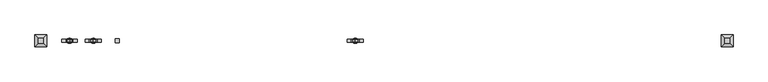
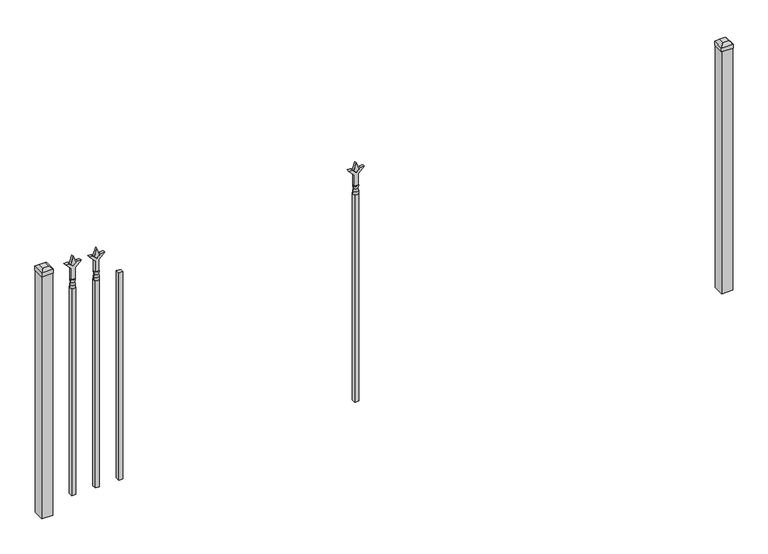
"""IFC4 building model written with IfcOpenShell, lengths in millimetres: railing geometry."""

from ifc_helpers import new_model, si_unit, frame, origin, origin_with_axes, place, context, project, spatial, polyline, circle_curve, outline, extrude, faceted_brep, source, transform, mapped, element, save
from ifc_brep_helpers import plane_surface, cylinder_surface, revolved_surface, advanced_brep


def railing_e18110bd(model_context):
    return source(origin(), model_context, "Body", "SolidModel", [
        extrude(outline(polyline([(-79292.5347536, -625.7320174), (-79273.4847536, -625.7320174), (-79273.4847536, -644.7820174), (-79292.5347536, -644.7820174), (-79292.5347536, -625.7320174)])), frame((0.0, 0.0, 50.8), z_axis=(0.0, 0.0, 1.0), x_axis=(1.0, 0.0, 0.0)), (0.0, 0.0, 1.0), 1016.0),
        extrude(outline(polyline([(1183.48125, -79380.3764203), (1219.2, -79392.2826703), (1183.48125, -79404.1889203), (1171.575, -79392.2826703), (1183.48125, -79380.3764203)])), frame((0.0, -640.0195174, 0.0), z_axis=(0.0, 1.0, 0.0), x_axis=(0.0, 0.0, 1.0)), (0.0, 0.0, 1.0), 9.525),
        extrude(outline(polyline([(1108.075, -79383.5514203), (1162.3457378, -79383.5514203), (1189.5355122, -79356.3616458), (1189.5355122, -79374.3221581), (1171.575, -79392.2826703), (1189.5355122, -79410.2431825), (1189.5355122, -79428.2036948), (1162.3457378, -79401.0139203), (1108.075, -79401.0139203), (1108.075, -79383.5514203)])), frame((0.0, -641.6070174, 0.0), z_axis=(0.0, 1.0, 0.0), x_axis=(0.0, 0.0, 1.0)), (0.0, 0.0, 1.0), 12.7),
        advanced_brep(
        [(-79380.3764203, -635.2570174, 1079.5), (-79404.1889203, -635.2570174, 1079.5), (-79404.1889203, -635.2570174, 1066.8), (-79380.3764203, -635.2570174, 1066.8), (-79382.5817522, -635.2570174, 1092.0070585), (-79401.9835884, -635.2570174, 1092.0070585), (-79380.3764203, -635.2570174, 1108.075), (-79404.1889203, -635.2570174, 1108.075), (-79392.2826703, -635.2570174, 1108.075), (-79392.2826703, -635.2570174, 1066.8)],
        [
            (0, 1, circle_curve(frame((-79392.2826703, -635.2570174, 1079.5), z_axis=(0.0, 0.0, -1.0), x_axis=(-1.0, 0.0, 0.0)), 11.90625)),
            (1, 2),
            (2, 3, circle_curve(frame((-79392.2826703, -635.2570174, 1066.8), z_axis=(0.0, 0.0, 1.0), x_axis=(-1.0, 0.0, 0.0)), 11.90625)),
            (3, 0),
            (1, 0, circle_curve(frame((-79392.2826703, -635.2570174, 1079.5), z_axis=(0.0, 0.0, -1.0), x_axis=(-1.0, 0.0, 0.0)), 11.90625)),
            (3, 2, circle_curve(frame((-79392.2826703, -635.2570174, 1066.8), z_axis=(0.0, 0.0, 1.0), x_axis=(-1.0, 0.0, 0.0)), 11.90625)),
            (4, 5, circle_curve(frame((-79392.2826703, -635.2570174, 1092.0070585), z_axis=(0.0, 0.0, -1.0), x_axis=(-1.0, 0.0, 0.0)), 9.7009181)),
            (5, 1),
            (0, 4),
            (5, 4, circle_curve(frame((-79392.2826703, -635.2570174, 1092.0070585), z_axis=(0.0, 0.0, -1.0), x_axis=(-1.0, 0.0, 0.0)), 9.7009181)),
            (6, 7, circle_curve(frame((-79392.2826703, -635.2570174, 1108.075), z_axis=(0.0, 0.0, -1.0), x_axis=(-1.0, 0.0, 0.0)), 11.90625)),
            (7, 5),
            (4, 6),
            (7, 6, circle_curve(frame((-79392.2826703, -635.2570174, 1108.075), z_axis=(0.0, 0.0, -1.0), x_axis=(-1.0, 0.0, 0.0)), 11.90625)),
            (8, 7),
            (6, 8),
            (2, 9),
            (9, 3),
        ],
        [
            cylinder_surface(frame((-79392.2826703, -635.2570174, 1066.8), z_axis=(0.0, 0.0, 1.0), x_axis=(-1.0, 0.0, 0.0)), 11.90625),
            revolved_surface(polyline([(-79404.1889203, -635.2570174, 1079.5), (-79401.9835884, -635.2570174, 1092.0070585)]), (-79392.2826703, -635.2570174, 1066.8), (0.0, 0.0, 1.0)),
            revolved_surface(polyline([(-79401.9835884, -635.2570174, 1092.0070585), (-79404.1889203, -635.2570174, 1108.075)]), (-79392.2826703, -635.2570174, 1066.8), (0.0, 0.0, 1.0)),
            plane_surface(frame((-79392.2826703, -635.2570174, 1108.075), z_axis=(0.0, 0.0, 1.0), x_axis=(-1.0, 0.0, 0.0))),
            plane_surface(frame((-79392.2826703, -635.2570174, 1066.8), z_axis=(0.0, 0.0, -1.0), x_axis=(-1.0, 0.0, 0.0))),
        ],
        [
            (0, [[1, 2, 3, 4]]),
            (0, [[5, -4, 6, -2]]),
            (1, [[7, 8, -1, 9]]),
            (1, [[10, -9, -5, -8]]),
            (2, [[11, 12, -7, 13]]),
            (2, [[14, -13, -10, -12]]),
            (3, [[15, -11, 16]]),
            (3, [[-16, -14, -15]]),
            (4, [[-3, 17, 18]]),
            (4, [[-6, -18, -17]]),
        ],
    ),
        extrude(outline(polyline([(-79401.8076703, -625.7320174), (-79382.7576703, -625.7320174), (-79382.7576703, -644.7820174), (-79401.8076703, -644.7820174), (-79401.8076703, -625.7320174)])), frame((0.0, 0.0, 50.8), z_axis=(0.0, 0.0, 1.0), x_axis=(1.0, 0.0, 0.0)), (0.0, 0.0, 1.0), 1016.0),
        extrude(outline(polyline([(1183.48125, -78178.374337), (1219.2, -78190.280587), (1183.48125, -78202.186837), (1171.575, -78190.280587), (1183.48125, -78178.374337)])), frame((0.0, -640.0195174, 0.0), z_axis=(0.0, 1.0, 0.0), x_axis=(0.0, 0.0, 1.0)), (0.0, 0.0, 1.0), 9.525),
        extrude(outline(polyline([(1108.075, -78181.549337), (1162.3457378, -78181.549337), (1189.5355122, -78154.3595625), (1189.5355122, -78172.3200747), (1171.575, -78190.280587), (1189.5355122, -78208.2410992), (1189.5355122, -78226.2016114), (1162.3457378, -78199.011837), (1108.075, -78199.011837), (1108.075, -78181.549337)])), frame((0.0, -641.6070174, 0.0), z_axis=(0.0, 1.0, 0.0), x_axis=(0.0, 0.0, 1.0)), (0.0, 0.0, 1.0), 12.7),
        advanced_brep(
        [(-78178.374337, -635.2570174, 1079.5), (-78202.186837, -635.2570174, 1079.5), (-78202.186837, -635.2570174, 1066.8), (-78178.374337, -635.2570174, 1066.8), (-78180.5796688, -635.2570174, 1092.0070585), (-78199.9815051, -635.2570174, 1092.0070585), (-78178.374337, -635.2570174, 1108.075), (-78202.186837, -635.2570174, 1108.075), (-78190.280587, -635.2570174, 1108.075), (-78190.280587, -635.2570174, 1066.8)],
        [
            (0, 1, circle_curve(frame((-78190.280587, -635.2570174, 1079.5), z_axis=(0.0, 0.0, -1.0), x_axis=(-1.0, 0.0, 0.0)), 11.90625)),
            (1, 2),
            (2, 3, circle_curve(frame((-78190.280587, -635.2570174, 1066.8), z_axis=(0.0, 0.0, 1.0), x_axis=(-1.0, 0.0, 0.0)), 11.90625)),
            (3, 0),
            (1, 0, circle_curve(frame((-78190.280587, -635.2570174, 1079.5), z_axis=(0.0, 0.0, -1.0), x_axis=(-1.0, 0.0, 0.0)), 11.90625)),
            (3, 2, circle_curve(frame((-78190.280587, -635.2570174, 1066.8), z_axis=(0.0, 0.0, 1.0), x_axis=(-1.0, 0.0, 0.0)), 11.90625)),
            (4, 5, circle_curve(frame((-78190.280587, -635.2570174, 1092.0070585), z_axis=(0.0, 0.0, -1.0), x_axis=(-1.0, 0.0, 0.0)), 9.7009181)),
            (5, 1),
            (0, 4),
            (5, 4, circle_curve(frame((-78190.280587, -635.2570174, 1092.0070585), z_axis=(0.0, 0.0, -1.0), x_axis=(-1.0, 0.0, 0.0)), 9.7009181)),
            (6, 7, circle_curve(frame((-78190.280587, -635.2570174, 1108.075), z_axis=(0.0, 0.0, -1.0), x_axis=(-1.0, 0.0, 0.0)), 11.90625)),
            (7, 5),
            (4, 6),
            (7, 6, circle_curve(frame((-78190.280587, -635.2570174, 1108.075), z_axis=(0.0, 0.0, -1.0), x_axis=(-1.0, 0.0, 0.0)), 11.90625)),
            (8, 7),
            (6, 8),
            (2, 9),
            (9, 3),
        ],
        [
            cylinder_surface(frame((-78190.280587, -635.2570174, 1066.8), z_axis=(0.0, 0.0, 1.0), x_axis=(-1.0, 0.0, 0.0)), 11.90625),
            revolved_surface(polyline([(-78202.186837, -635.2570174, 1079.5), (-78199.9815051, -635.2570174, 1092.0070585)]), (-78190.280587, -635.2570174, 1066.8), (0.0, 0.0, 1.0)),
            revolved_surface(polyline([(-78199.9815051, -635.2570174, 1092.0070585), (-78202.186837, -635.2570174, 1108.075)]), (-78190.280587, -635.2570174, 1066.8), (0.0, 0.0, 1.0)),
            plane_surface(frame((-78190.280587, -635.2570174, 1108.075), z_axis=(0.0, 0.0, 1.0), x_axis=(-1.0, 0.0, 0.0))),
            plane_surface(frame((-78190.280587, -635.2570174, 1066.8), z_axis=(0.0, 0.0, -1.0), x_axis=(-1.0, 0.0, 0.0))),
        ],
        [
            (0, [[1, 2, 3, 4]]),
            (0, [[5, -4, 6, -2]]),
            (1, [[7, 8, -1, 9]]),
            (1, [[10, -9, -5, -8]]),
            (2, [[11, 12, -7, 13]]),
            (2, [[14, -13, -10, -12]]),
            (3, [[15, -11, 16]]),
            (3, [[-16, -14, -15]]),
            (4, [[-3, 17, 18]]),
            (4, [[-6, -18, -17]]),
        ],
    ),
        extrude(outline(polyline([(-78199.805587, -625.7320174), (-78180.755587, -625.7320174), (-78180.755587, -644.7820174), (-78199.805587, -644.7820174), (-78199.805587, -625.7320174)])), frame((0.0, 0.0, 50.8), z_axis=(0.0, 0.0, 1.0), x_axis=(1.0, 0.0, 0.0)), (0.0, 0.0, 1.0), 1016.0),
        extrude(outline(polyline([(1183.48125, -79489.649337), (1219.2, -79501.555587), (1183.48125, -79513.461837), (1171.575, -79501.555587), (1183.48125, -79489.649337)])), frame((0.0, -640.0195174, 0.0), z_axis=(0.0, 1.0, 0.0), x_axis=(0.0, 0.0, 1.0)), (0.0, 0.0, 1.0), 9.525),
        extrude(outline(polyline([(1108.075, -79492.824337), (1162.3457378, -79492.824337), (1189.5355122, -79465.6345625), (1189.5355122, -79483.5950747), (1171.575, -79501.555587), (1189.5355122, -79519.5160992), (1189.5355122, -79537.4766114), (1162.3457378, -79510.286837), (1108.075, -79510.286837), (1108.075, -79492.824337)])), frame((0.0, -641.6070174, 0.0), z_axis=(0.0, 1.0, 0.0), x_axis=(0.0, 0.0, 1.0)), (0.0, 0.0, 1.0), 12.7),
        advanced_brep(
        [(-79489.649337, -635.2570174, 1079.5), (-79513.461837, -635.2570174, 1079.5), (-79513.461837, -635.2570174, 1066.8), (-79489.649337, -635.2570174, 1066.8), (-79491.8546688, -635.2570174, 1092.0070585), (-79511.2565051, -635.2570174, 1092.0070585), (-79489.649337, -635.2570174, 1108.075), (-79513.461837, -635.2570174, 1108.075), (-79501.555587, -635.2570174, 1108.075), (-79501.555587, -635.2570174, 1066.8)],
        [
            (0, 1, circle_curve(frame((-79501.555587, -635.2570174, 1079.5), z_axis=(0.0, 0.0, -1.0), x_axis=(-1.0, 0.0, 0.0)), 11.90625)),
            (1, 2),
            (2, 3, circle_curve(frame((-79501.555587, -635.2570174, 1066.8), z_axis=(0.0, 0.0, 1.0), x_axis=(-1.0, 0.0, 0.0)), 11.90625)),
            (3, 0),
            (1, 0, circle_curve(frame((-79501.555587, -635.2570174, 1079.5), z_axis=(0.0, 0.0, -1.0), x_axis=(-1.0, 0.0, 0.0)), 11.90625)),
            (3, 2, circle_curve(frame((-79501.555587, -635.2570174, 1066.8), z_axis=(0.0, 0.0, 1.0), x_axis=(-1.0, 0.0, 0.0)), 11.90625)),
            (4, 5, circle_curve(frame((-79501.555587, -635.2570174, 1092.0070585), z_axis=(0.0, 0.0, -1.0), x_axis=(-1.0, 0.0, 0.0)), 9.7009181)),
            (5, 1),
            (0, 4),
            (5, 4, circle_curve(frame((-79501.555587, -635.2570174, 1092.0070585), z_axis=(0.0, 0.0, -1.0), x_axis=(-1.0, 0.0, 0.0)), 9.7009181)),
            (6, 7, circle_curve(frame((-79501.555587, -635.2570174, 1108.075), z_axis=(0.0, 0.0, -1.0), x_axis=(-1.0, 0.0, 0.0)), 11.90625)),
            (7, 5),
            (4, 6),
            (7, 6, circle_curve(frame((-79501.555587, -635.2570174, 1108.075), z_axis=(0.0, 0.0, -1.0), x_axis=(-1.0, 0.0, 0.0)), 11.90625)),
            (8, 7),
            (6, 8),
            (2, 9),
            (9, 3),
        ],
        [
            cylinder_surface(frame((-79501.555587, -635.2570174, 1066.8), z_axis=(0.0, 0.0, 1.0), x_axis=(-1.0, 0.0, 0.0)), 11.90625),
            revolved_surface(polyline([(-79513.461837, -635.2570174, 1079.5), (-79511.2565051, -635.2570174, 1092.0070585)]), (-79501.555587, -635.2570174, 1066.8), (0.0, 0.0, 1.0)),
            revolved_surface(polyline([(-79511.2565051, -635.2570174, 1092.0070585), (-79513.461837, -635.2570174, 1108.075)]), (-79501.555587, -635.2570174, 1066.8), (0.0, 0.0, 1.0)),
            plane_surface(frame((-79501.555587, -635.2570174, 1108.075), z_axis=(0.0, 0.0, 1.0), x_axis=(-1.0, 0.0, 0.0))),
            plane_surface(frame((-79501.555587, -635.2570174, 1066.8), z_axis=(0.0, 0.0, -1.0), x_axis=(-1.0, 0.0, 0.0))),
        ],
        [
            (0, [[1, 2, 3, 4]]),
            (0, [[5, -4, 6, -2]]),
            (1, [[7, 8, -1, 9]]),
            (1, [[10, -9, -5, -8]]),
            (2, [[11, 12, -7, 13]]),
            (2, [[14, -13, -10, -12]]),
            (3, [[15, -11, 16]]),
            (3, [[-16, -14, -15]]),
            (4, [[-3, 17, 18]]),
            (4, [[-6, -18, -17]]),
        ],
    ),
        extrude(outline(polyline([(-79511.080587, -625.7320174), (-79492.030587, -625.7320174), (-79492.030587, -644.7820174), (-79511.080587, -644.7820174), (-79511.080587, -625.7320174)])), frame((0.0, 0.0, 50.8), z_axis=(0.0, 0.0, 1.0), x_axis=(1.0, 0.0, 0.0)), (0.0, 0.0, 1.0), 1016.0),
        extrude(outline(polyline([(-76458.318087, -609.8570174), (-76458.318087, -660.6570174), (-76509.118087, -660.6570174), (-76509.118087, -609.8570174), (-76458.318087, -609.8570174)])), origin_with_axes(), (0.0, 0.0, 1.0), 1187.45),
        faceted_brep([(-76510.705587, -608.2695174, 1206.5), (-76510.705587, -608.2695174, 1187.45), (-76510.705587, -662.2445174, 1187.45), (-76510.705587, -662.2445174, 1206.5), (-76498.005587, -620.9695174, 1219.2), (-76498.005587, -649.5445174, 1219.2), (-76456.730587, -662.2445174, 1187.45), (-76456.730587, -662.2445174, 1206.5), (-76469.430587, -649.5445174, 1219.2), (-76456.730587, -608.2695174, 1187.45), (-76456.730587, -608.2695174, 1206.5), (-76469.430587, -620.9695174, 1219.2)], [[[0, 1, 2, 3]], [[4, 0, 3, 5]], [[3, 2, 6, 7]], [[5, 3, 7, 8]], [[7, 6, 9, 10]], [[8, 7, 10, 11]], [[10, 9, 1, 0]], [[11, 10, 0, 4]], [[5, 8, 11, 4]], [[1, 9, 6, 2]]]),
        extrude(outline(polyline([(-79607.918087, -609.8570174), (-79607.918087, -660.6570174), (-79658.718087, -660.6570174), (-79658.718087, -609.8570174), (-79607.918087, -609.8570174)])), origin_with_axes(), (0.0, 0.0, 1.0), 1187.45),
        faceted_brep([(-79660.305587, -608.2695174, 1206.5), (-79660.305587, -608.2695174, 1187.45), (-79660.305587, -662.2445174, 1187.45), (-79660.305587, -662.2445174, 1206.5), (-79647.605587, -620.9695174, 1219.2), (-79647.605587, -649.5445174, 1219.2), (-79606.330587, -662.2445174, 1187.45), (-79606.330587, -662.2445174, 1206.5), (-79619.030587, -649.5445174, 1219.2), (-79606.330587, -608.2695174, 1187.45), (-79606.330587, -608.2695174, 1206.5), (-79619.030587, -620.9695174, 1219.2)], [[[0, 1, 2, 3]], [[4, 0, 3, 5]], [[3, 2, 6, 7]], [[5, 3, 7, 8]], [[7, 6, 9, 10]], [[8, 7, 10, 11]], [[10, 9, 1, 0]], [[11, 10, 0, 4]], [[5, 8, 11, 4]], [[1, 9, 6, 2]]]),
    ])


if __name__ == "__main__":
    model = new_model("IFC4")
    model_context = context("Model", 3, world=origin())
    ifc_project = project(units=[si_unit("LENGTHUNIT", "METRE", prefix="MILLI")], contexts=[model_context])
    site = spatial("IfcSite", under=ifc_project)
    building = spatial("IfcBuilding", under=site)
    placement = place(None, origin())
    railing_shape = railing_e18110bd(model_context)
    element("IfcRailing", 1, at=placement, inside=building, context=model_context, shape_type="MappedRepresentation", body=[
        mapped(railing_shape, transform((0.0, 0.0, 0.0), x_axis=(1.0, 0.0, 0.0), y_axis=(0.0, 1.0, 0.0), z_axis=(0.0, 0.0, 1.0))),
    ])
    save(model, "model.ifc")
